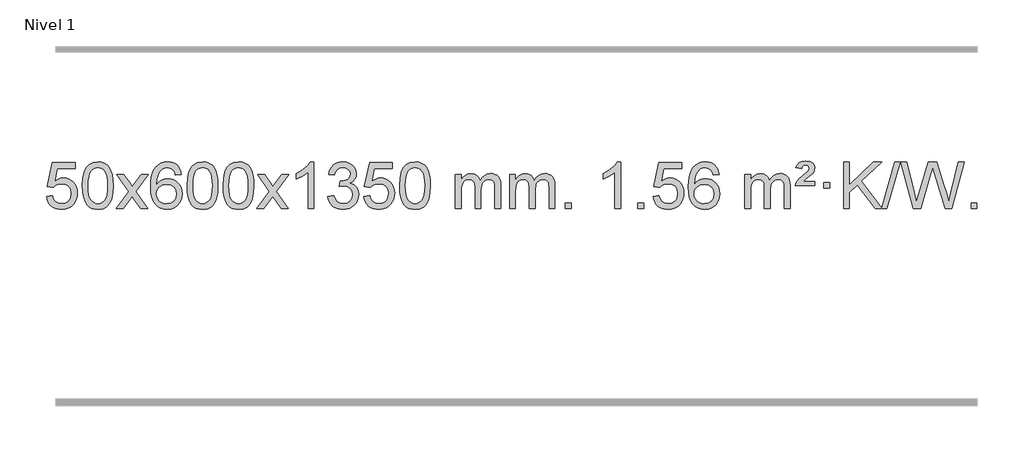
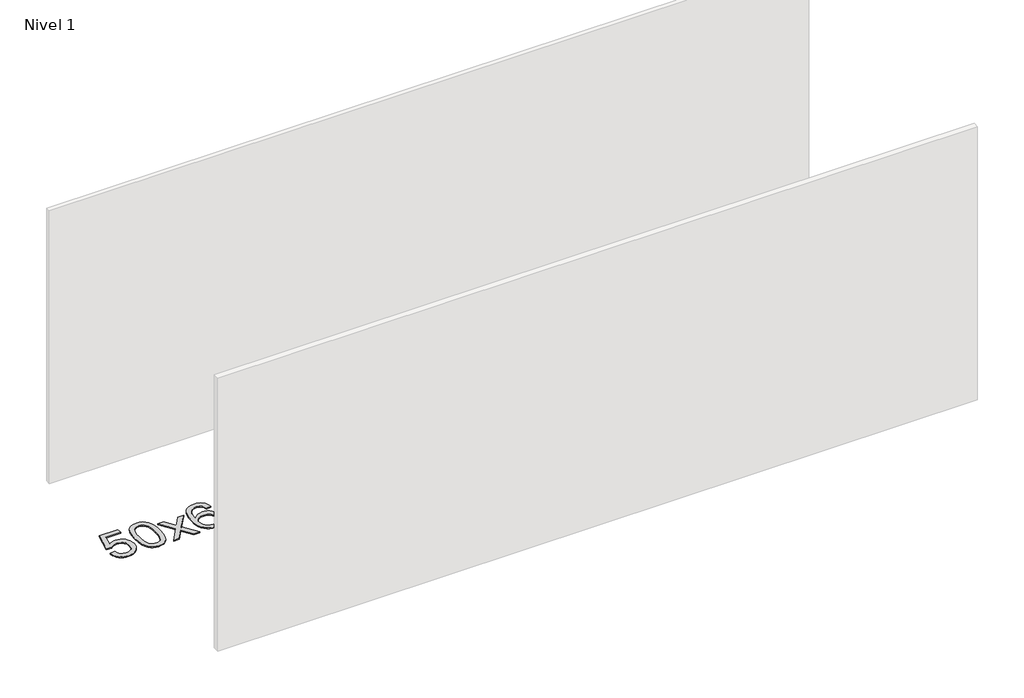
# One storey, part 8 of 10: 1 proxy.
"""IFC4 building model written with IfcOpenShell, lengths in millimetres."""

from ifc_helpers import new_model, si_unit, origin, origin_with_axes, place, context, project, spatial, polyline, outline, extrude, element, save

model = new_model("IFC4")

# Units and contexts
model_context = context("Model", 3, world=origin())
ifc_project = project(units=[si_unit("LENGTHUNIT", "METRE", prefix="MILLI")], contexts=[model_context])

# Site, building, storey
site = spatial("IfcSite", under=ifc_project)
building = spatial("IfcBuilding", under=site)
storey = spatial("IfcBuildingStorey", under=building, Name="Nivel 1", Elevation=0.0)

# Proxy
placement = place(None, origin())
element("IfcBuildingElementProxy", 1, Name="Texto de modelo 1", ObjectType="Texto de modelo 1", at=placement, inside=storey, context=model_context, shape_type="SweptSolid", body=[
    extrude(outline(polyline([(-309.9934354, -284.8446235), (-259.7652803, -278.5661041), (-250.543705, -308.7201649), (-234.454999, -330.3148381), (-211.5727389, -343.3010725), (-181.9705011, -347.6298173), (-162.8406373, -346.1245668), (-145.9671165, -341.6088153), (-131.3499385, -334.0825628), (-118.9891035, -323.5458094), (-109.1605228, -310.519721), (-102.1401081, -295.5254641), (-96.5237763, -259.6324441), (-101.7844888, -225.8363514), (-108.3603795, -211.9181493), (-117.5666264, -199.9865099), (-129.4338865, -190.4154467), (-143.9928164, -183.5789729), (-181.1856861, -178.1097939), (-205.5517369, -180.2925604), (-225.2824746, -186.8408599), (-241.0400868, -196.8717757), (-253.4867609, -209.5023908), (-303.714916, -203.2238715), (-259.7652803, 3.9672682), (-65.1311794, 3.9672682), (-65.1311794, -46.2608869), (-219.151108, -46.2608869), (-240.6354166, -156.919791), (-222.9096358, -144.2155994), (-204.7546593, -135.1411769), (-186.1704872, -129.6965234), (-167.1571194, -127.8816388), (-142.6960324, -130.1318504), (-120.2276395, -136.882485), (-99.7519408, -148.1335427), (-81.2689362, -163.8850234), (-65.9681109, -183.1743027), (-55.03895, -205.038756), (-48.4814534, -229.4783832), (-46.2956212, -256.4931844), (-48.2637899, -282.5147042), (-54.1682959, -306.7213394), (-64.0091393, -329.1130902), (-77.78632, -349.6899565), (-98.6574919, -370.7634634), (-123.01128, -385.8159684), (-150.8476843, -394.8474714), (-182.1667048, -397.8579724), (-208.087057, -395.9235262), (-231.4996803, -390.1201877), (-252.4045747, -380.447957), (-270.8017402, -366.9068338), (-286.1086968, -350.1712688), (-297.7429649, -330.915712), (-305.7045445, -309.1401636), (-309.9934354, -284.8446235)])), origin_with_axes(), (0.0, 0.0, 1.0), 10.0),
    extrude(outline(polyline([(-2.3459855, -193.9041943), (1.3450971, -129.5861588), (12.4183452, -78.2911459), (30.763394, -39.2343407), (42.621457, -24.0009605), (56.269879, -11.6309284), (71.7546453, -2.0598651), (89.1217412, 4.7766086), (129.5029215, 10.2457876), (160.4540601, 7.008426), (188.167837, -2.7036586), (211.3444027, -18.5103217), (228.6839074, -40.0314184), (241.7805065, -67.0830078), (252.2283551, -99.4811488), (259.0709602, -140.6226186), (261.3518286, -193.9041943), (257.6975341, -257.8543477), (246.7346507, -309.0267333), (228.4999664, -348.1203266), (216.6694946, -363.3996922), (203.0302696, -375.8341036), (187.5271092, -385.4695462), (170.1048311, -392.3520052), (129.5029215, -397.8579724), (101.8381955, -395.4667394), (77.3127291, -388.2930405), (55.9265225, -376.3368757), (37.6795755, -359.5982449), (20.1683926, -329.3399508), (7.6604047, -291.6381776), (0.155612, -246.4929255), (-2.3459855, -193.9041943)]), holes=[polyline([(47.8821695, -193.8060924), (49.3536975, -237.4706195), (53.7682815, -272.8148822), (61.1259214, -299.8388804), (71.4266172, -318.5426142), (83.8855541, -331.2682656), (97.7179171, -340.3580165), (112.9237063, -345.8118671), (129.5029215, -347.6298173), (146.0821368, -345.8057357), (161.2879259, -340.3334911), (175.1202889, -331.2130833), (187.5792258, -318.4445124), (197.8799217, -299.7101217), (205.2375616, -272.6922549), (209.6521455, -237.3909118), (211.1236735, -193.8060924), (209.7011965, -151.2973278), (205.4337653, -116.5753989), (198.3213801, -89.6403055), (188.3640408, -70.4920476), (176.1135703, -57.1440625), (162.1217918, -47.6097875), (146.3887051, -41.8892225), (128.9143103, -39.9823675), (112.4209342, -41.6623619), (97.4726625, -46.7023452), (84.0694951, -55.1023175), (72.2114321, -66.8622786), (61.5673797, -87.708925), (53.9644852, -115.8151094), (49.4027484, -151.1808319), (47.8821695, -193.8060924)])]), origin_with_axes(), (0.0, 0.0, 1.0), 10.0),
    extrude(outline(polyline([(286.4659061, -391.579453), (393.7893469, -243.2494325), (292.7444255, -96.4890419), (353.1751746, -96.4890419), (401.9318017, -167.122385), (424.6914345, -200.4770192), (444.4099094, -173.2047007), (499.9355652, -96.4890419), (560.3663143, -96.4890419), (454.2200959, -243.2494325), (556.4422397, -391.579453), (496.0114906, -391.579453), (434.501621, -302.4048574), (423.2199065, -286.1199477), (346.8966552, -391.579453), (286.4659061, -391.579453)])), origin_with_axes(), (0.0, 0.0, 1.0), 10.0),
    extrude(outline(polyline([(845.2541313, -96.4890419), (795.0259763, -102.7675613), (786.9325724, -77.874213), (775.9942144, -60.8780648), (753.2100561, -45.2062918), (725.6679574, -39.9823675), (702.3197135, -43.0235253), (680.3448956, -52.1469988), (661.4725493, -71.3627017), (646.0582937, -97.8134171), (635.6472332, -135.227016), (631.7844723, -187.3313693), (651.9321429, -163.8237098), (676.0774645, -147.2567573), (702.8715365, -137.434308), (730.9654582, -134.1601582), (755.0985171, -136.398107), (777.3676405, -143.1119534), (797.7728285, -154.3016975), (816.3140811, -169.9673391), (831.7222053, -189.1769106), (842.7280083, -210.9984443), (849.3314901, -235.4319401), (851.5326507, -262.4773982), (847.3878469, -298.4439945), (834.9534355, -331.786366), (815.259486, -360.0642287), (789.3360681, -380.8372987), (758.3604041, -393.602804), (723.5097164, -397.8579724), (693.5671877, -395.0375437), (666.5247954, -386.5762579), (642.3825394, -372.4741147), (621.1404199, -352.7311143), (603.822375, -326.5133908), (591.4523429, -292.9870783), (584.0303236, -252.1521768), (581.5563172, -204.0086864), (584.3031694, -150.0342663), (592.5437261, -103.9693092), (606.2779873, -65.8138149), (625.5059529, -35.5677835), (646.3464679, -15.5243462), (670.5101836, -1.2076052), (697.9971, 7.3824394), (728.8072171, 10.2457876), (751.9408633, 8.4738227), (772.8794802, 3.1579278), (791.6230678, -5.7018969), (808.1716262, -18.1056515), (822.0775656, -33.6364031), (832.8932963, -51.8772186), (840.6188182, -72.8280983), (845.2541313, -96.4890419)]), holes=[polyline([(631.7844723, -261.6925832), (634.69074, -283.9494439), (643.4095433, -305.2007605), (656.9476007, -323.472233), (674.3116309, -336.7895612), (695.2686419, -344.9197533), (719.5856418, -347.6298173), (752.7318096, -342.0134855), (766.646946, -334.9930708), (778.7901175, -325.1644901), (788.640158, -312.9262824), (795.6759011, -298.6769865), (801.3044957, -264.1451299), (795.7494775, -230.9989621), (788.8057049, -217.3781312), (779.0844231, -205.725469), (766.9044634, -196.3904634), (752.5846568, -189.7226022), (717.5255026, -184.3883133), (684.4283858, -189.7226022), (656.751397, -205.725469), (645.8283674, -217.2248471), (638.0262035, -230.3858254), (633.3449051, -245.2084042), (631.7844723, -261.6925832)])]), origin_with_axes(), (0.0, 0.0, 1.0), 10.0),
    extrude(outline(polyline([(895.4822864, -193.9041943), (899.1733691, -129.5861588), (910.2466172, -78.2911459), (928.591666, -39.2343407), (940.449729, -24.0009605), (954.098151, -11.6309284), (969.5829173, -2.0598651), (986.9500131, 4.7766086), (1027.3311935, 10.2457876), (1058.282332, 7.008426), (1085.996109, -2.7036586), (1109.1726747, -18.5103217), (1126.5121794, -40.0314184), (1139.6087784, -67.0830078), (1150.0566271, -99.4811488), (1156.8992322, -140.6226186), (1159.1801006, -193.9041943), (1155.5258061, -257.8543477), (1144.5629226, -309.0267333), (1126.3282384, -348.1203266), (1114.4977666, -363.3996922), (1100.8585416, -375.8341036), (1085.3553812, -385.4695462), (1067.933103, -392.3520052), (1027.3311935, -397.8579724), (999.6664674, -395.4667394), (975.1410011, -388.2930405), (953.7547945, -376.3368757), (935.5078475, -359.5982449), (917.9966645, -329.3399508), (905.4886767, -291.6381776), (897.983884, -246.4929255), (895.4822864, -193.9041943)]), holes=[polyline([(945.7104415, -193.8060924), (947.1819695, -237.4706195), (951.5965534, -272.8148822), (958.9541933, -299.8388804), (969.2548892, -318.5426142), (981.7138261, -331.2682656), (995.5461891, -340.3580165), (1010.7519782, -345.8118671), (1027.3311935, -347.6298173), (1043.9104087, -345.8057357), (1059.1161979, -340.3334911), (1072.9485609, -331.2130833), (1085.4074978, -318.4445124), (1095.7081937, -299.7101217), (1103.0658336, -272.6922549), (1107.4804175, -237.3909118), (1108.9519455, -193.8060924), (1107.5294684, -151.2973278), (1103.2620373, -116.5753989), (1096.1496521, -89.6403055), (1086.1923127, -70.4920476), (1073.9418423, -57.1440625), (1059.9500637, -47.6097875), (1044.2169771, -41.8892225), (1026.7425823, -39.9823675), (1010.2492062, -41.6623619), (995.3009344, -46.7023452), (981.8977671, -55.1023175), (970.0397041, -66.8622786), (959.3956517, -87.708925), (951.7927571, -115.8151094), (947.2310204, -151.1808319), (945.7104415, -193.8060924)])]), origin_with_axes(), (0.0, 0.0, 1.0), 10.0),
    extrude(outline(polyline([(1203.1297362, -193.9041943), (1206.8208189, -129.5861588), (1217.894067, -78.2911459), (1236.2391158, -39.2343407), (1248.0971788, -24.0009605), (1261.7456008, -11.6309284), (1277.2303671, -2.0598651), (1294.597463, 4.7766086), (1334.9786433, 10.2457876), (1365.9297818, 7.008426), (1393.6435588, -2.7036586), (1416.8201245, -18.5103217), (1434.1596292, -40.0314184), (1447.2562282, -67.0830078), (1457.7040769, -99.4811488), (1464.546682, -140.6226186), (1466.8275504, -193.9041943), (1463.1732559, -257.8543477), (1452.2103725, -309.0267333), (1433.9756882, -348.1203266), (1422.1452164, -363.3996922), (1408.5059914, -375.8341036), (1393.002831, -385.4695462), (1375.5805529, -392.3520052), (1334.9786433, -397.8579724), (1307.3139173, -395.4667394), (1282.7884509, -388.2930405), (1261.4022443, -376.3368757), (1243.1552973, -359.5982449), (1225.6441144, -329.3399508), (1213.1361265, -291.6381776), (1205.6313338, -246.4929255), (1203.1297362, -193.9041943)]), holes=[polyline([(1253.3578913, -193.8060924), (1254.8294193, -237.4706195), (1259.2440032, -272.8148822), (1266.6016432, -299.8388804), (1276.902339, -318.5426142), (1289.3612759, -331.2682656), (1303.1936389, -340.3580165), (1318.3994281, -345.8118671), (1334.9786433, -347.6298173), (1351.5578586, -345.8057357), (1366.7636477, -340.3334911), (1380.5960107, -331.2130833), (1393.0549476, -318.4445124), (1403.3556435, -299.7101217), (1410.7132834, -272.6922549), (1415.1278673, -237.3909118), (1416.5993953, -193.8060924), (1415.1769183, -151.2973278), (1410.9094871, -116.5753989), (1403.7971019, -89.6403055), (1393.8397625, -70.4920476), (1381.5892921, -57.1440625), (1367.5975136, -47.6097875), (1351.8644269, -41.8892225), (1334.3900321, -39.9823675), (1317.896656, -41.6623619), (1302.9483843, -46.7023452), (1289.5452169, -55.1023175), (1277.6871539, -66.8622786), (1267.0431015, -87.708925), (1259.440207, -115.8151094), (1254.8784702, -151.1808319), (1253.3578913, -193.8060924)])]), origin_with_axes(), (0.0, 0.0, 1.0), 10.0),
    extrude(outline(polyline([(1491.9416279, -391.579453), (1599.2650687, -243.2494325), (1498.2201473, -96.4890419), (1558.6508964, -96.4890419), (1607.4075235, -167.122385), (1630.1671563, -200.4770192), (1649.8856312, -173.2047007), (1705.411287, -96.4890419), (1765.8420361, -96.4890419), (1659.6958177, -243.2494325), (1761.9179615, -391.579453), (1701.4872124, -391.579453), (1639.9773428, -302.4048574), (1628.6956283, -286.1199477), (1552.372377, -391.579453), (1491.9416279, -391.579453)])), origin_with_axes(), (0.0, 0.0, 1.0), 10.0),
    extrude(outline(polyline([(1981.6661399, -391.579453), (1931.4379848, -391.579453), (1931.4379848, -78.4382987), (1910.4687111, -95.3976587), (1883.8585801, -112.3324932), (1830.9816747, -137.6918254), (1830.9816747, -90.2105225), (1870.4308873, -68.7507395), (1904.6071247, -43.219729), (1931.5483494, -16.0700378), (1949.2925243, 10.2457876), (1981.6661399, 10.2457876), (1981.6661399, -391.579453)])), origin_with_axes(), (0.0, 0.0, 1.0), 10.0),
    extrude(outline(polyline([(2100.9580082, -284.8446235), (2151.1861633, -278.5661041), (2162.4310896, -310.1303793), (2178.8999403, -331.4430095), (2201.4020556, -343.5831154), (2230.7467761, -347.6298173), (2265.1805309, -342.0625364), (2279.4543523, -335.1034354), (2291.7661364, -325.3606939), (2308.7622846, -300.4428201), (2314.4276673, -270.2274455), (2308.8113355, -241.5449126), (2291.9623401, -218.2825078), (2266.4558551, -202.8682522), (2234.8670545, -197.730167), (2199.6484848, -203.2238715), (2205.2402911, -152.9957164), (2213.2846441, -153.5843276), (2243.3773913, -149.979084), (2270.2818279, -139.1633534), (2281.3550759, -130.9841103), (2289.2645388, -120.8673555), (2294.0102165, -108.8130888), (2295.5921091, -94.8213102), (2291.0058469, -73.1285352), (2277.2470603, -55.5315131), (2256.2532611, -43.8696539), (2229.9619612, -39.9823675), (2203.6216103, -43.9064421), (2182.0882509, -55.6786659), (2166.367427, -75.299039), (2157.4646827, -102.7675613), (2107.2365276, -96.4890419), (2113.1900846, -72.5092672), (2122.0253838, -51.3867093), (2133.7424253, -33.1213683), (2148.3412092, -17.713244), (2165.3618828, -5.4811677), (2184.3445938, 3.2560297), (2205.289342, 8.4983481), (2228.1961276, 10.2457876), (2259.7726655, 6.7999596), (2288.7740295, -3.5375245), (2313.2259194, -19.8469596), (2331.1540353, -41.2086408), (2342.153707, -65.8199463), (2345.8202642, -91.8782543), (2342.337648, -116.1584659), (2331.8897993, -138.1823347), (2314.623871, -156.9443165), (2290.6870159, -171.4388671), (2322.1286637, -184.1430586), (2345.4278567, -205.77452), (2359.848831, -235.1560286), (2364.6558224, -271.1103623), (2362.2523267, -296.5923218), (2355.0418395, -320.0631931), (2343.024361, -341.5229762), (2326.1998911, -360.971671), (2305.7027326, -377.1094278), (2282.6671884, -388.636397), (2257.0932583, -395.5525785), (2228.9809425, -397.8579724), (2203.5725594, -395.8898037), (2180.4205192, -389.9852977), (2159.5248218, -380.1444543), (2140.8854674, -366.3672736), (2125.256614, -349.4630959), (2113.3924196, -330.2412617), (2105.2928844, -308.7017708), (2100.9580082, -284.8446235)])), origin_with_axes(), (0.0, 0.0, 1.0), 10.0),
    extrude(outline(polyline([(2408.605458, -284.8446235), (2458.8336131, -278.5661041), (2468.0551885, -308.7201649), (2484.1438944, -330.3148381), (2507.0261545, -343.3010725), (2536.6283924, -347.6298173), (2555.7582561, -346.1245668), (2572.631777, -341.6088153), (2587.2489549, -334.0825628), (2599.6097899, -323.5458094), (2609.4383706, -310.519721), (2616.4587853, -295.5254641), (2622.0751171, -259.6324441), (2616.8144046, -225.8363514), (2610.2385139, -211.9181493), (2601.032267, -199.9865099), (2589.165007, -190.4154467), (2574.606077, -183.5789729), (2537.4132073, -178.1097939), (2513.0471565, -180.2925604), (2493.3164188, -186.8408599), (2477.5588067, -196.8717757), (2465.1121325, -209.5023908), (2414.8839774, -203.2238715), (2458.8336131, 3.9672682), (2653.467714, 3.9672682), (2653.467714, -46.2608869), (2499.4477854, -46.2608869), (2477.9634769, -156.919791), (2495.6892577, -144.2155994), (2513.8442341, -135.1411769), (2532.4284063, -129.6965234), (2551.441774, -127.8816388), (2575.902861, -130.1318504), (2598.3712539, -136.882485), (2618.8469526, -148.1335427), (2637.3299572, -163.8850234), (2652.6307825, -183.1743027), (2663.5599434, -205.038756), (2670.11744, -229.4783832), (2672.3032722, -256.4931844), (2670.3351035, -282.5147042), (2664.4305975, -306.7213394), (2654.5897541, -329.1130902), (2640.8125734, -349.6899565), (2619.9414015, -370.7634634), (2595.5876135, -385.8159684), (2567.7512092, -394.8474714), (2536.4321886, -397.8579724), (2510.5118364, -395.9235262), (2487.0992131, -390.1201877), (2466.1943187, -380.447957), (2447.7971533, -366.9068338), (2432.4901966, -350.1712688), (2420.8559285, -330.915712), (2412.894349, -309.1401636), (2408.605458, -284.8446235)])), origin_with_axes(), (0.0, 0.0, 1.0), 10.0),
    extrude(outline(polyline([(2716.2529079, -193.9041943), (2719.9439906, -129.5861588), (2731.0172386, -78.2911459), (2749.3622874, -39.2343407), (2761.2203504, -24.0009605), (2774.8687724, -11.6309284), (2790.3535388, -2.0598651), (2807.7206346, 4.7766086), (2848.1018149, 10.2457876), (2879.0529535, 7.008426), (2906.7667304, -2.7036586), (2929.9432961, -18.5103217), (2947.2828008, -40.0314184), (2960.3793999, -67.0830078), (2970.8272485, -99.4811488), (2977.6698537, -140.6226186), (2979.950722, -193.9041943), (2976.2964275, -257.8543477), (2965.3335441, -309.0267333), (2947.0988599, -348.1203266), (2935.268388, -363.3996922), (2921.6291631, -375.8341036), (2906.1260026, -385.4695462), (2888.7037245, -392.3520052), (2848.1018149, -397.8579724), (2820.4370889, -395.4667394), (2795.9116226, -388.2930405), (2774.5254159, -376.3368757), (2756.278469, -359.5982449), (2738.767286, -329.3399508), (2726.2592981, -291.6381776), (2718.7545054, -246.4929255), (2716.2529079, -193.9041943)]), holes=[polyline([(2766.481063, -193.8060924), (2767.9525909, -237.4706195), (2772.3671749, -272.8148822), (2779.7248148, -299.8388804), (2790.0255106, -318.5426142), (2802.4844475, -331.2682656), (2816.3168106, -340.3580165), (2831.5225997, -345.8118671), (2848.1018149, -347.6298173), (2864.6810302, -345.8057357), (2879.8868193, -340.3334911), (2893.7191824, -331.2130833), (2906.1781193, -318.4445124), (2916.4788151, -299.7101217), (2923.836455, -272.6922549), (2928.251039, -237.3909118), (2929.7225669, -193.8060924), (2928.3000899, -151.2973278), (2924.0326588, -116.5753989), (2916.9202735, -89.6403055), (2906.9629342, -70.4920476), (2894.7124637, -57.1440625), (2880.7206852, -47.6097875), (2864.9875985, -41.8892225), (2847.5132038, -39.9823675), (2831.0198276, -41.6623619), (2816.0715559, -46.7023452), (2802.6683885, -55.1023175), (2790.8103256, -66.8622786), (2780.1662732, -87.708925), (2772.5633786, -115.8151094), (2768.0016419, -151.1808319), (2766.481063, -193.8060924)])]), origin_with_axes(), (0.0, 0.0, 1.0), 10.0),
    extrude(outline(polyline([(3193.4203811, -391.579453), (3193.4203811, -96.4890419), (3243.6485362, -96.4890419), (3243.6485362, -145.0494653), (3258.7562234, -122.7435537), (3278.1803928, -105.2691589), (3301.2588566, -93.9751816), (3327.3294273, -90.2105225), (3355.2639335, -94.048758), (3377.6556843, -105.5634645), (3394.3820523, -123.9943524), (3405.3204103, -148.5811324), (3423.6286709, -123.0439906), (3444.5121055, -104.803175), (3467.9707141, -93.8586857), (3494.0044966, -90.2105225), (3514.1123133, -91.7280358), (3531.7614521, -96.2805755), (3546.9519128, -103.8681416), (3559.6836955, -114.4907342), (3569.7483337, -128.2709806), (3576.9373611, -145.3315082), (3581.2507775, -165.6723168), (3582.6885829, -189.2934066), (3582.6885829, -391.579453), (3532.4604278, -391.579453), (3532.4604278, -210.875817), (3531.2954682, -185.8230531), (3527.8005892, -168.9372695), (3521.2522897, -157.3735121), (3510.9270684, -148.2868268), (3497.6465284, -142.4007149), (3482.2322728, -140.4386776), (3455.0212679, -145.4663982), (3432.8379835, -160.54956), (3424.2326105, -172.1194488), (3418.0859155, -186.7182326), (3413.1685595, -225.0024856), (3413.1685595, -391.579453), (3362.9404045, -391.579453), (3362.9404045, -205.2840106), (3360.0341367, -176.8835206), (3351.3153334, -156.6254854), (3335.9746542, -144.4853796), (3313.2027587, -140.4386776), (3293.8521658, -143.1364789), (3276.0221517, -151.2298828), (3261.3068719, -164.5226856), (3251.3004817, -182.8186835), (3245.5615225, -208.2025411), (3243.6485362, -242.7589232), (3243.6485362, -391.579453), (3193.4203811, -391.579453)])), origin_with_axes(), (0.0, 0.0, 1.0), 10.0),
    extrude(outline(polyline([(3658.0308155, -391.579453), (3658.0308155, -96.4890419), (3708.2589706, -96.4890419), (3708.2589706, -145.0494653), (3723.3666579, -122.7435537), (3742.7908272, -105.2691589), (3765.869291, -93.9751816), (3791.9398618, -90.2105225), (3819.8743679, -94.048758), (3842.2661187, -105.5634645), (3858.9924868, -123.9943524), (3869.9308448, -148.5811324), (3888.2391054, -123.0439906), (3909.12254, -104.803175), (3932.5811485, -93.8586857), (3958.6149311, -90.2105225), (3978.7227478, -91.7280358), (3996.3718865, -96.2805755), (4011.5623472, -103.8681416), (4024.2941299, -114.4907342), (4034.3587682, -128.2709806), (4041.5477955, -145.3315082), (4045.8612119, -165.6723168), (4047.2990174, -189.2934066), (4047.2990174, -391.579453), (3997.0708623, -391.579453), (3997.0708623, -210.875817), (3995.9059026, -185.8230531), (3992.4110237, -168.9372695), (3985.8627242, -157.3735121), (3975.5375028, -148.2868268), (3962.2569628, -142.4007149), (3946.8427072, -140.4386776), (3919.6317023, -145.4663982), (3897.448418, -160.54956), (3888.843045, -172.1194488), (3882.69635, -186.7182326), (3877.778994, -225.0024856), (3877.778994, -391.579453), (3827.5508389, -391.579453), (3827.5508389, -205.2840106), (3824.6445711, -176.8835206), (3815.9257679, -156.6254854), (3800.5850887, -144.4853796), (3777.8131932, -140.4386776), (3758.4626002, -143.1364789), (3740.6325862, -151.2298828), (3725.9173064, -164.5226856), (3715.9109161, -182.8186835), (3710.171957, -208.2025411), (3708.2589706, -242.7589232), (3708.2589706, -391.579453), (3658.0308155, -391.579453)])), origin_with_axes(), (0.0, 0.0, 1.0), 10.0),
    extrude(outline(polyline([(4135.1982887, -391.579453), (4135.1982887, -341.3512979), (4185.4264438, -341.3512979), (4185.4264438, -391.579453), (4135.1982887, -391.579453)])), origin_with_axes(), (0.0, 0.0, 1.0), 10.0),
    extrude(outline(polyline([(4612.365762, -391.579453), (4562.1376069, -391.579453), (4562.1376069, -78.4382987), (4541.1683332, -95.3976587), (4514.5582022, -112.3324932), (4461.6812967, -137.6918254), (4461.6812967, -90.2105225), (4501.1305093, -68.7507395), (4535.3067467, -43.219729), (4562.2479715, -16.0700378), (4579.9921464, 10.2457876), (4612.365762, 10.2457876), (4612.365762, -391.579453)])), origin_with_axes(), (0.0, 0.0, 1.0), 10.0),
    extrude(outline(polyline([(4756.7717078, -391.579453), (4756.7717078, -341.3512979), (4806.9998629, -341.3512979), (4806.9998629, -391.579453), (4756.7717078, -391.579453)])), origin_with_axes(), (0.0, 0.0, 1.0), 10.0),
    extrude(outline(polyline([(4888.6206149, -284.8446235), (4938.8487699, -278.5661041), (4948.0703453, -308.7201649), (4964.1590512, -330.3148381), (4987.0413113, -343.3010725), (5016.6435492, -347.6298173), (5035.7734129, -346.1245668), (5052.6469338, -341.6088153), (5067.2641117, -334.0825628), (5079.6249468, -323.5458094), (5089.4535274, -310.519721), (5096.4739421, -295.5254641), (5102.0902739, -259.6324441), (5096.8295614, -225.8363514), (5090.2536707, -211.9181493), (5081.0474238, -199.9865099), (5069.1801638, -190.4154467), (5054.6212338, -183.5789729), (5017.4283641, -178.1097939), (4993.0623133, -180.2925604), (4973.3315756, -186.8408599), (4957.5739635, -196.8717757), (4945.1272893, -209.5023908), (4894.8991342, -203.2238715), (4938.8487699, 3.9672682), (5133.4828709, 3.9672682), (5133.4828709, -46.2608869), (4979.4629422, -46.2608869), (4957.9786337, -156.919791), (4975.7044145, -144.2155994), (4993.8593909, -135.1411769), (5012.4435631, -129.6965234), (5031.4569309, -127.8816388), (5055.9180179, -130.1318504), (5078.3864107, -136.882485), (5098.8621094, -148.1335427), (5117.345114, -163.8850234), (5132.6459393, -183.1743027), (5143.5751003, -205.038756), (5150.1325968, -229.4783832), (5152.318429, -256.4931844), (5150.3502603, -282.5147042), (5144.4457543, -306.7213394), (5134.6049109, -329.1130902), (5120.8277302, -349.6899565), (5099.9565584, -370.7634634), (5075.6027703, -385.8159684), (5047.766366, -394.8474714), (5016.4473455, -397.8579724), (4990.5269932, -395.9235262), (4967.1143699, -390.1201877), (4946.2094755, -380.447957), (4927.8123101, -366.9068338), (4912.5053534, -350.1712688), (4900.8710853, -330.915712), (4892.9095058, -309.1401636), (4888.6206149, -284.8446235)])), origin_with_axes(), (0.0, 0.0, 1.0), 10.0),
    extrude(outline(polyline([(5453.6873595, -96.4890419), (5403.4592044, -102.7675613), (5395.3658005, -77.874213), (5384.4274425, -60.8780648), (5361.6432843, -45.2062918), (5334.1011856, -39.9823675), (5310.7529416, -43.0235253), (5288.7781237, -52.1469988), (5269.9057774, -71.3627017), (5254.4915218, -97.8134171), (5244.0804613, -135.227016), (5240.2177004, -187.3313693), (5260.365371, -163.8237098), (5284.5106926, -147.2567573), (5311.3047646, -137.434308), (5339.3986863, -134.1601582), (5363.5317452, -136.398107), (5385.8008686, -143.1119534), (5406.2060566, -154.3016975), (5424.7473092, -169.9673391), (5440.1554334, -189.1769106), (5451.1612364, -210.9984443), (5457.7647182, -235.4319401), (5459.9658788, -262.4773982), (5455.821075, -298.4439945), (5443.3866636, -331.786366), (5423.6927141, -360.0642287), (5397.7692962, -380.8372987), (5366.7936322, -393.602804), (5331.9429445, -397.8579724), (5302.0004158, -395.0375437), (5274.9580235, -386.5762579), (5250.8157675, -372.4741147), (5229.573648, -352.7311143), (5212.2556031, -326.5133908), (5199.885571, -292.9870783), (5192.4635517, -252.1521768), (5189.9895453, -204.0086864), (5192.7363975, -150.0342663), (5200.9769542, -103.9693092), (5214.7112154, -65.8138149), (5233.939181, -35.5677835), (5254.779696, -15.5243462), (5278.9434117, -1.2076052), (5306.4303282, 7.3824394), (5337.2404452, 10.2457876), (5360.3740914, 8.4738227), (5381.3127083, 3.1579278), (5400.0562959, -5.7018969), (5416.6048543, -18.1056515), (5430.5107938, -33.6364031), (5441.3265244, -51.8772186), (5449.0520463, -72.8280983), (5453.6873595, -96.4890419)]), holes=[polyline([(5240.2177004, -261.6925832), (5243.1239681, -283.9494439), (5251.8427714, -305.2007605), (5265.3808289, -323.472233), (5282.744859, -336.7895612), (5303.70187, -344.9197533), (5328.0188699, -347.6298173), (5361.1650377, -342.0134855), (5375.0801741, -334.9930708), (5387.2233457, -325.1644901), (5397.0733861, -312.9262824), (5404.1091292, -298.6769865), (5409.7377238, -264.1451299), (5404.1827056, -230.9989621), (5397.238933, -217.3781312), (5387.5176513, -205.725469), (5375.3376915, -196.3904634), (5361.0178849, -189.7226022), (5325.9587307, -184.3883133), (5292.8616139, -189.7226022), (5265.1846251, -205.725469), (5254.2615956, -217.2248471), (5246.4594316, -230.3858254), (5241.7781332, -245.2084042), (5240.2177004, -261.6925832)])]), origin_with_axes(), (0.0, 0.0, 1.0), 10.0),
    extrude(outline(polyline([(5673.4355379, -391.579453), (5673.4355379, -96.4890419), (5723.663693, -96.4890419), (5723.663693, -145.0494653), (5738.7713803, -122.7435537), (5758.1955496, -105.2691589), (5781.2740134, -93.9751816), (5807.3445842, -90.2105225), (5835.2790903, -94.048758), (5857.6708411, -105.5634645), (5874.3972091, -123.9943524), (5885.3355671, -148.5811324), (5903.6438278, -123.0439906), (5924.5272623, -104.803175), (5947.9858709, -93.8586857), (5974.0196534, -90.2105225), (5994.1274702, -91.7280358), (6011.7766089, -96.2805755), (6026.9670696, -103.8681416), (6039.6988523, -114.4907342), (6049.7634906, -128.2709806), (6056.9525179, -145.3315082), (6061.2659343, -165.6723168), (6062.7037397, -189.2934066), (6062.7037397, -391.579453), (6012.4755847, -391.579453), (6012.4755847, -210.875817), (6011.310625, -185.8230531), (6007.8157461, -168.9372695), (6001.2674465, -157.3735121), (5990.9422252, -148.2868268), (5977.6616852, -142.4007149), (5962.2474296, -140.4386776), (5935.0364247, -145.4663982), (5912.8531404, -160.54956), (5904.2477674, -172.1194488), (5898.1010724, -186.7182326), (5893.1837164, -225.0024856), (5893.1837164, -391.579453), (5842.9555613, -391.579453), (5842.9555613, -205.2840106), (5840.0492935, -176.8835206), (5831.3304902, -156.6254854), (5815.989811, -144.4853796), (5793.2179155, -140.4386776), (5773.8673226, -143.1364789), (5756.0373086, -151.2298828), (5741.3220287, -164.5226856), (5731.3156385, -182.8186835), (5725.5766794, -208.2025411), (5723.663693, -242.7589232), (5723.663693, -391.579453), (5673.4355379, -391.579453)])), origin_with_axes(), (0.0, 0.0, 1.0), 10.0),
    extrude(outline(polyline([(6106.6533754, -190.6668327), (6110.4793482, -174.8479069), (6118.8180067, -158.9799302), (6140.3268407, -133.8413272), (6172.2835234, -106.1030247), (6216.4293628, -68.726214), (6223.5662735, -57.1992448), (6225.9452437, -45.3779701), (6224.0567828, -33.2869152), (6218.3914001, -23.5012541), (6209.022672, -17.026531), (6196.0241748, -14.8682899), (6183.5897634, -16.4869707), (6174.73607, -21.343013), (6168.3103978, -30.8098431), (6163.1600499, -46.2608869), (6112.9318948, -39.9823675), (6123.7721509, -14.7701881), (6140.4004171, 2.7900458), (6164.165594, 13.0907417), (6196.4165822, 16.524307), (6232.1992376, 12.3917659), (6256.9454332, -0.0058573), (6271.3664074, -18.3386434), (6276.1733988, -40.2766731), (6272.0776459, -63.1834586), (6259.7903873, -84.8149199), (6239.262572, -104.6314968), (6202.7932035, -132.6886303), (6177.1886166, -159.2742358), (6276.1733988, -159.2742358), (6276.1733988, -190.6668327), (6106.6533754, -190.6668327)])), origin_with_axes(), (0.0, 0.0, 1.0), 10.0),
    extrude(outline(polyline([(6351.5156314, -215.7809102), (6351.5156314, -165.5527552), (6401.7437865, -165.5527552), (6401.7437865, -215.7809102), (6351.5156314, -215.7809102)])), origin_with_axes(), (0.0, 0.0, 1.0), 10.0),
    extrude(outline(polyline([(6792.3854144, -391.579453), (6638.954097, -188.9009991), (6571.2638099, -253.4520265), (6571.2638099, -391.579453), (6521.0356548, -391.579453), (6521.0356548, 10.2457876), (6571.2638099, 10.2457876), (6571.2638099, -186.4484525), (6777.2777272, 10.2457876), (6847.5186628, 10.2457876), (6674.5650741, -154.9577537), (6849.218684, -385.5349332), (6960.5320117, 10.2457876), (7005.8550735, 10.2457876), (6892.8417246, -391.579453), (6853.7971822, -391.579453), (6847.5186628, -391.579453), (6792.3854144, -391.579453)])), origin_with_axes(), (0.0, 0.0, 1.0), 10.0),
    extrude(outline(polyline([(7120.3399504, -391.579453), (7010.7601668, 10.2457876), (7062.5579517, 10.2457876), (7126.1279605, -253.844434), (7145.7483335, -335.3670841), (7166.7421327, -263.2622131), (7246.4008474, 10.2457876), (7321.056367, 10.2457876), (7378.9364675, -188.0180823), (7403.731714, -261.5944814), (7422.0031864, -335.3670841), (7441.0349483, -256.1988788), (7505.1935683, 10.2457876), (7556.9913532, 10.2457876), (7447.3134677, -391.579453), (7393.6517474, -391.579453), (7297.3157155, -81.5775584), (7283.87576, -38.3146358), (7268.7680727, -90.4067263), (7180.9669032, -391.579453), (7120.3399504, -391.579453)])), origin_with_axes(), (0.0, 0.0, 1.0), 10.0),
    extrude(outline(polyline([(7613.4980277, -391.579453), (7613.4980277, -341.3512979), (7663.7261827, -341.3512979), (7663.7261827, -391.579453), (7613.4980277, -391.579453)])), origin_with_axes(), (0.0, 0.0, 1.0), 10.0),
])

save(model, "model.ifc")
